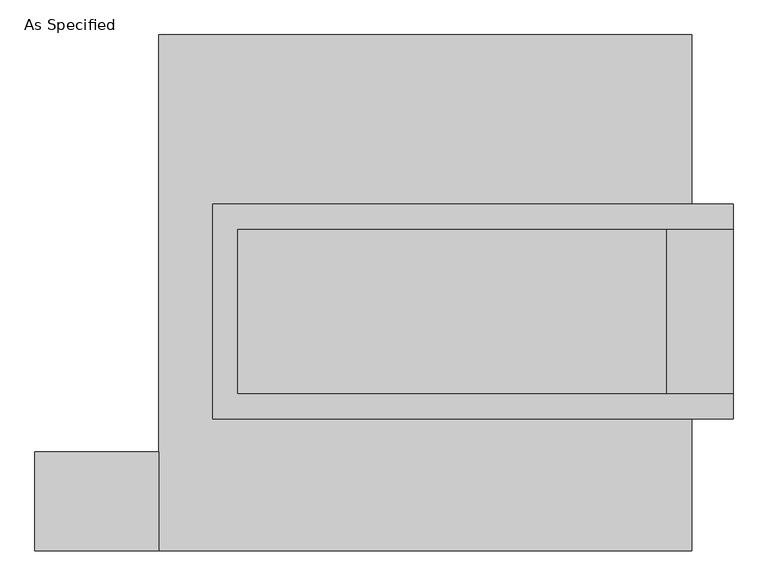
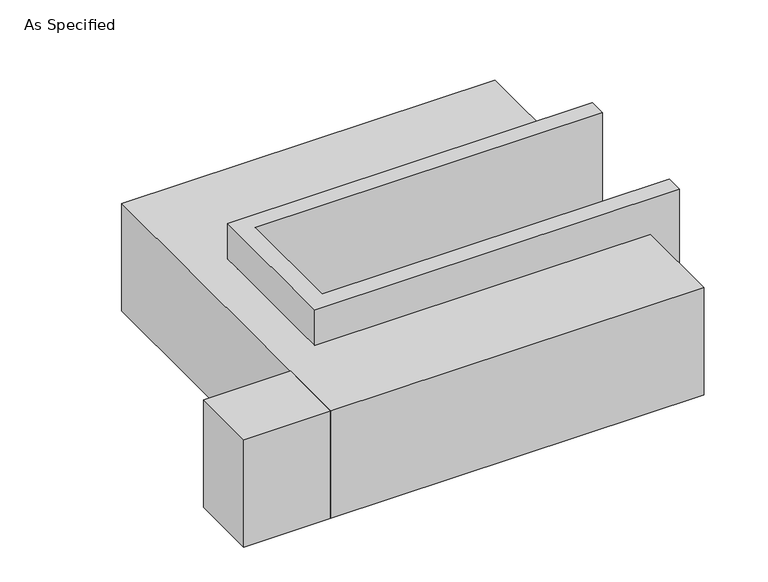
"""IFC4 building model written with IfcOpenShell, lengths in millimetres: proxy geometry, As Specified."""

from ifc_helpers import new_model, si_unit, frame, origin, place, context, project, spatial, polyline, outline, extrude, faceted_brep, source, transform, mapped, element, save


def as_specified_77cc6f73(model_context):
    return source(origin(), model_context, "Body", "SolidModel", [
        extrude(outline(polyline([(-819.15, -793.75), (-1200.15, -793.75), (-1200.15, -488.95), (-819.15, -488.95), (-819.15, -793.75)])), frame((0.0, 0.0, -523.9742188), z_axis=(0.0, 0.0, 1.0), x_axis=(1.0, 0.0, 0.0)), (0.0, 0.0, 1.0), 498.5742187),
        faceted_brep([(-654.05, 273.05, 139.7), (-654.05, 273.05, -393.7), (-654.05, 196.85, -393.7), (-654.05, 196.85, -25.4), (-654.05, -311.15, -25.4), (-654.05, -311.15, -393.7), (-654.05, -387.35, -393.7), (-654.05, -387.35, 139.7), (946.15, 196.85, 139.7), (946.15, 196.85, -317.5), (946.15, -311.15, -317.5), (946.15, -311.15, 139.7), (946.15, -387.35, 139.7), (946.15, -387.35, -393.7), (946.15, 273.05, -393.7), (946.15, 273.05, 139.7), (-577.85, -311.15, 139.7), (-577.85, 196.85, 139.7), (742.95, -311.15, -393.7), (742.95, 196.85, -393.7), (742.95, -311.15, -317.5), (-577.85, -311.15, -25.4), (742.95, 196.85, -317.5), (-577.85, 196.85, -25.4)], [[[0, 1, 2, 3, 4, 5, 6, 7]], [[8, 9, 10, 11, 12, 13, 14, 15]], [[0, 7, 12, 11, 16, 17, 8, 15]], [[1, 0, 15, 14]], [[14, 13, 6, 5, 18, 19, 2, 1]], [[7, 6, 13, 12]], [[11, 10, 20, 18, 5, 4, 21, 16]], [[10, 9, 22, 20]], [[9, 8, 17, 23, 3, 2, 19, 22]], [[18, 20, 22, 19]], [[23, 21, 4, 3]], [[17, 16, 21, 23]]]),
        faceted_brep([(-819.15, 793.75, -523.9742188), (819.15, 793.75, -523.9742188), (819.15, -793.75, -523.9742188), (-819.15, -793.75, -523.9742188), (819.15, 793.75, -25.4), (-819.15, 793.75, -25.4), (-819.15, -793.75, -25.4), (819.15, -793.75, -25.4), (819.15, -387.35, -25.4), (-654.05, -387.35, -25.4), (-654.05, 273.05, -25.4), (819.15, 273.05, -25.4), (819.15, 273.05, -393.7), (819.15, -387.35, -393.7), (-654.05, -387.35, -393.7), (-654.05, 273.05, -393.7)], [[[0, 1, 2, 3]], [[4, 5, 6, 7, 8, 9, 10, 11]], [[1, 0, 5, 4]], [[5, 0, 3, 6]], [[1, 4, 11, 12, 13, 8, 7, 2]], [[3, 2, 7, 6]], [[14, 15, 10, 9]], [[10, 15, 12, 11]], [[15, 14, 13, 12]], [[14, 9, 8, 13]]]),
    ])


if __name__ == "__main__":
    model = new_model("IFC4")
    model_context = context("Model", 3, world=origin())
    ifc_project = project(units=[si_unit("LENGTHUNIT", "METRE", prefix="MILLI")], contexts=[model_context])
    site = spatial("IfcSite", under=ifc_project)
    building = spatial("IfcBuilding", under=site)
    placement = place(None, origin())
    as_specified_shape = as_specified_77cc6f73(model_context)
    element("IfcBuildingElementProxy", 1, Name="As Specified", ObjectType="As Specified", at=placement, inside=building, context=model_context, shape_type="MappedRepresentation", body=[
        mapped(as_specified_shape, transform((0.0, 0.0, 0.0), x_axis=(1.0, 0.0, 0.0), y_axis=(0.0, 1.0, 0.0), z_axis=(0.0, 0.0, 1.0))),
    ])
    save(model, "model.ifc")
